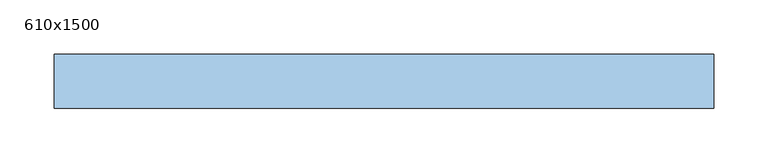
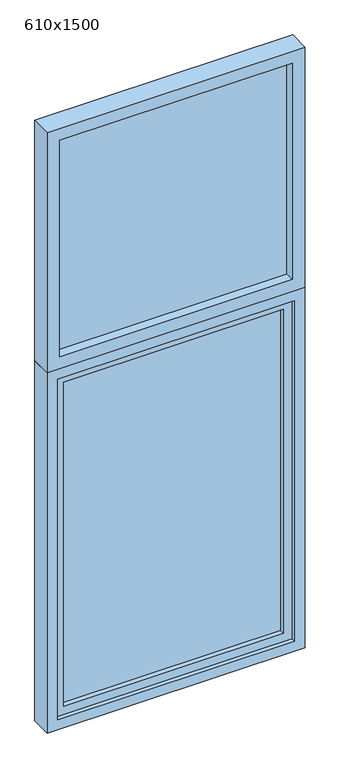
"""IFC4 building model written with IfcOpenShell, lengths in millimetres: window geometry, 610x1500."""

from ifc_helpers import new_model, si_unit, frame, origin, place, context, project, spatial, polyline, outline, extrude, source, transform, mapped, element, save


def window_610x1500_2859c438(model_context):
    return source(origin(), model_context, "Body", "SweptSolid", [
        extrude(outline(polyline([(2400.0, 325.0), (2400.0, -285.0), (1800.0, -285.0), (1800.0, 325.0), (2400.0, 325.0)]), holes=[polyline([(1830.0, 295.0), (1830.0, -255.0), (2370.0, -255.0), (2370.0, 295.0), (1830.0, 295.0)])]), frame((0.0, -25.0, 0.0), z_axis=(0.0, 1.0, 0.0), x_axis=(0.0, 0.0, 1.0)), (0.0, 0.0, 1.0), 50.0),
        extrude(outline(polyline([(1775.0, 300.0), (1775.0, -260.0), (925.0, -260.0), (925.0, 300.0), (1775.0, 300.0)]), holes=[polyline([(945.0, 280.0), (945.0, -240.0), (1755.0, -240.0), (1755.0, 280.0), (945.0, 280.0)])]), frame((0.0, -15.0, 0.0), z_axis=(0.0, 1.0, 0.0), x_axis=(0.0, 0.0, 1.0)), (0.0, 0.0, 1.0), 30.0),
        extrude(outline(polyline([(1800.0, 325.0), (1800.0, -285.0), (900.0, -285.0), (900.0, 325.0), (1800.0, 325.0)]), holes=[polyline([(925.0, 300.0), (925.0, -260.0), (1775.0, -260.0), (1775.0, 300.0), (925.0, 300.0)])]), frame((0.0, -25.0, 0.0), z_axis=(0.0, 1.0, 0.0), x_axis=(0.0, 0.0, 1.0)), (0.0, 0.0, 1.0), 50.0),
        extrude(outline(polyline([(295.0, -3.0), (-255.0, -3.0), (-255.0, 3.0), (295.0, 3.0), (295.0, -3.0)])), frame((0.0, 0.0, 1830.0), z_axis=(0.0, 0.0, 1.0), x_axis=(1.0, 0.0, 0.0)), (0.0, 0.0, 1.0), 540.0),
        extrude(outline(polyline([(280.0, -3.0), (-240.0, -3.0), (-240.0, 3.0), (280.0, 3.0), (280.0, -3.0)])), frame((0.0, 0.0, 945.0), z_axis=(0.0, 0.0, 1.0), x_axis=(1.0, 0.0, 0.0)), (0.0, 0.0, 1.0), 810.0),
    ])


if __name__ == "__main__":
    model = new_model("IFC4")
    model_context = context("Model", 3, world=origin())
    ifc_project = project(units=[si_unit("LENGTHUNIT", "METRE", prefix="MILLI")], contexts=[model_context])
    site = spatial("IfcSite", under=ifc_project)
    building = spatial("IfcBuilding", under=site)
    placement = place(None, origin())
    window_610x1500_shape = window_610x1500_2859c438(model_context)
    element("IfcWindow", 1, ObjectType="610x1500", at=placement, inside=building, context=model_context, shape_type="MappedRepresentation", body=[
        mapped(window_610x1500_shape, transform((0.0, 0.0, 0.0), x_axis=(1.0, 0.0, 0.0), y_axis=(0.0, 1.0, 0.0), z_axis=(0.0, 0.0, 1.0))),
    ])
    save(model, "model.ifc")
